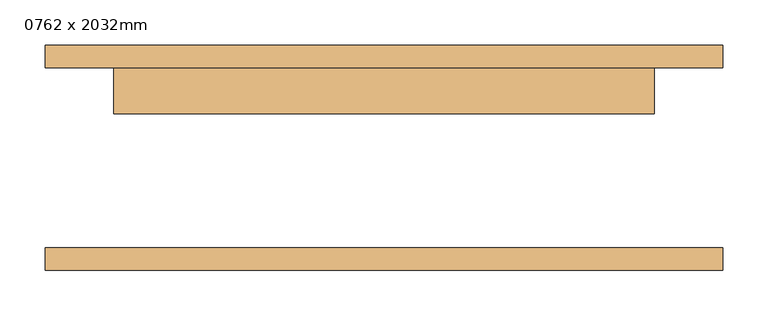
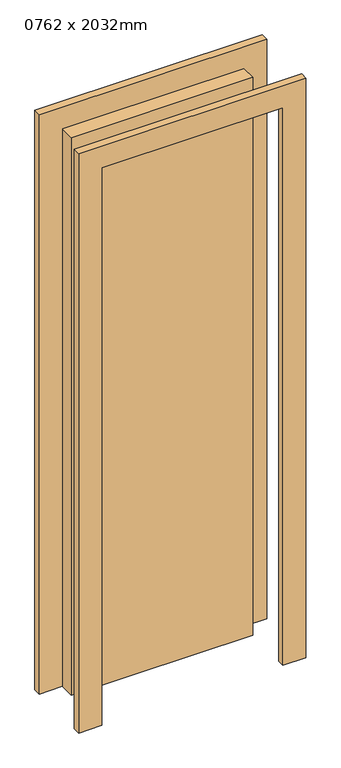
"""IFC4 building model written with IfcOpenShell, lengths in millimetres: door geometry, 0762 x 2032mm."""

from ifc_helpers import new_model, si_unit, frame, origin, origin_with_axes, place, context, project, spatial, polyline, outline, extrude, source, transform, mapped, element, save


def door_0762_x_2032mm_8033673a(model_context):
    return source(origin(), model_context, "Body", "SweptSolid", [
        extrude(outline(polyline([(2026.0, -376.0), (0.0, -376.0), (0.0, -300.0), (1950.0, -300.0), (1950.0, 300.0), (0.0, 300.0), (0.0, 376.0), (2026.0, 376.0), (2026.0, -376.0)])), frame((0.0, 100.0, 0.0), z_axis=(0.0, 1.0, 0.0), x_axis=(0.0, 0.0, 1.0)), (0.0, 0.0, 1.0), 25.0),
        extrude(outline(polyline([(2026.0, 376.0), (2026.0, -376.0), (0.0, -376.0), (0.0, -300.0), (1950.0, -300.0), (1950.0, 300.0), (0.0, 300.0), (0.0, 376.0), (2026.0, 376.0)])), frame((0.0, -125.0, 0.0), z_axis=(0.0, 1.0, 0.0), x_axis=(0.0, 0.0, 1.0)), (0.0, 0.0, 1.0), 25.0),
        extrude(outline(polyline([(300.0, 49.0), (-300.0, 49.0), (-300.0, 100.0), (300.0, 100.0), (300.0, 49.0)])), origin_with_axes(), (0.0, 0.0, 1.0), 1950.0),
    ])


if __name__ == "__main__":
    model = new_model("IFC4")
    model_context = context("Model", 3, world=origin())
    ifc_project = project(units=[si_unit("LENGTHUNIT", "METRE", prefix="MILLI")], contexts=[model_context])
    site = spatial("IfcSite", under=ifc_project)
    building = spatial("IfcBuilding", under=site)
    placement = place(None, origin())
    door_0762_x_2032mm_shape = door_0762_x_2032mm_8033673a(model_context)
    element("IfcDoor", 1, ObjectType="0762 x 2032mm", at=placement, inside=building, context=model_context, shape_type="MappedRepresentation", body=[
        mapped(door_0762_x_2032mm_shape, transform((0.0, 0.0, 0.0), x_axis=(1.0, 0.0, 0.0), y_axis=(0.0, 1.0, 0.0), z_axis=(0.0, 0.0, 1.0))),
    ])
    save(model, "model.ifc")
